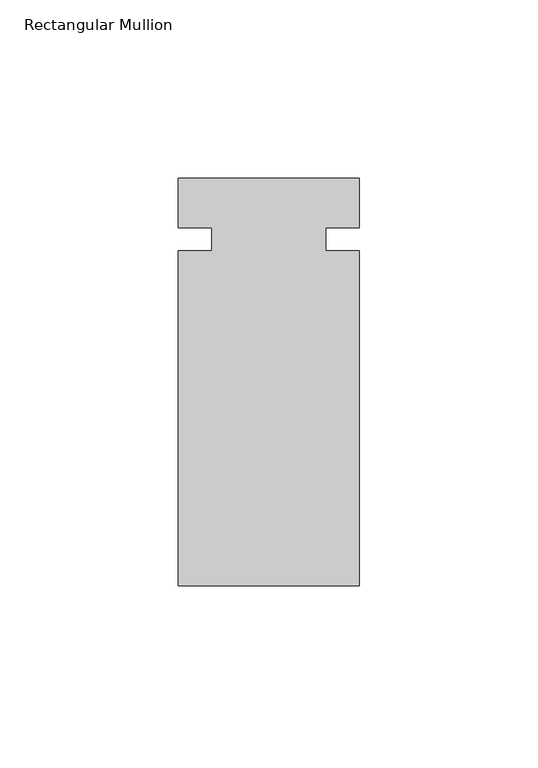
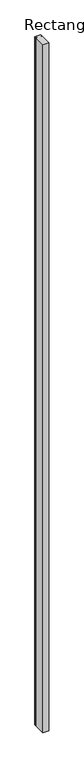
"""IFC4 building model written with IfcOpenShell, lengths in millimetres: member geometry, Rectangular Mullion."""

from ifc_helpers import new_model, si_unit, frame, origin, place, context, project, spatial, polyline, outline, extrude, source, transform, mapped, element, save


def rectangular_mullion_d14afc49(model_context):
    return source(origin(), model_context, "Body", "SweptSolid", [
        extrude(outline(polyline([(25.4, 57.8548429), (25.4, 43.9435946), (15.97025, 43.9435946), (15.97025, 37.5935946), (25.4, 37.5935946), (25.4, -56.4451571), (-25.4, -56.4451571), (-25.4, 37.5935946), (-15.97025, 37.5935946), (-15.97025, 43.9435946), (-25.4, 43.9435946), (-25.4, 57.8548429), (25.4, 57.8548429)])), frame((0.0, 0.0, -6096.0), z_axis=(0.0, 0.0, 1.0), x_axis=(1.0, 0.0, 0.0)), (0.0, 0.0, 1.0), 6096.0),
    ])


if __name__ == "__main__":
    model = new_model("IFC4")
    model_context = context("Model", 3, world=origin())
    ifc_project = project(units=[si_unit("LENGTHUNIT", "METRE", prefix="MILLI")], contexts=[model_context])
    site = spatial("IfcSite", under=ifc_project)
    building = spatial("IfcBuilding", under=site)
    placement = place(None, origin())
    rectangular_mullion_shape = rectangular_mullion_d14afc49(model_context)
    element("IfcMember", 1, ObjectType="Rectangular Mullion", at=placement, inside=building, context=model_context, shape_type="MappedRepresentation", body=[
        mapped(rectangular_mullion_shape, transform((0.0, 0.0, 0.0), x_axis=(1.0, 0.0, 0.0), y_axis=(0.0, 1.0, 0.0), z_axis=(0.0, 0.0, 1.0))),
    ])
    save(model, "model.ifc")
